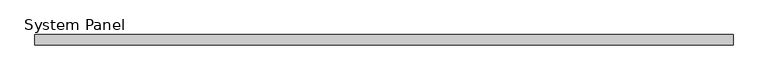
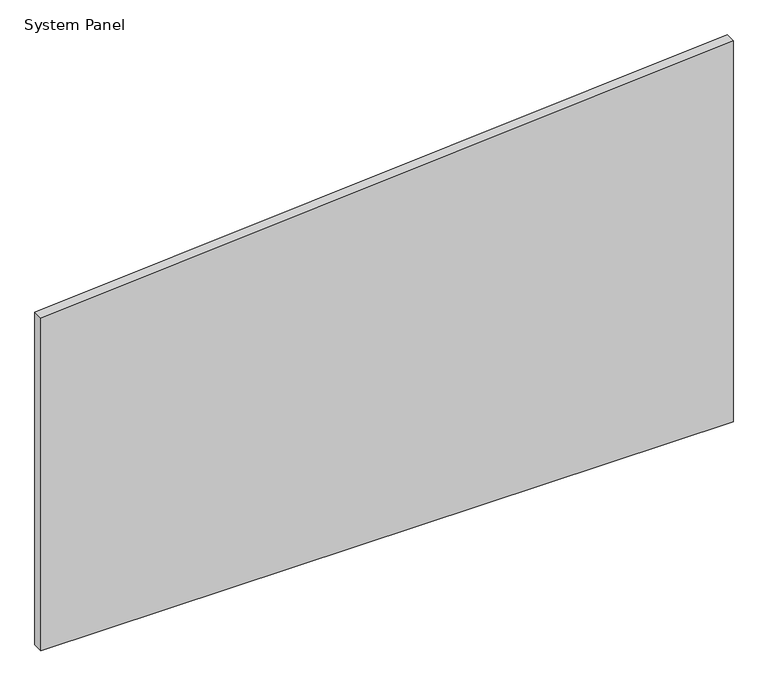
"""IFC4 building model written with IfcOpenShell, lengths in millimetres: plate geometry, System Panel."""

from ifc_helpers import new_model, si_unit, frame, origin, place, context, project, spatial, polyline, outline, extrude, source, transform, mapped, element, save


def system_panel_90f2b566(model_context):
    return source(origin(), model_context, "Body", "SweptSolid", [
        extrude(outline(polyline([(0.0, -662.8682631), (0.0, 662.8682631), (771.1535203, 662.8682631), (673.5729046, -662.8682631), (0.0, -662.8682631)])), frame((0.0, -10.0, 0.0), z_axis=(0.0, 1.0, 0.0), x_axis=(0.0, 0.0, 1.0)), (0.0, 0.0, 1.0), 20.0),
    ])


if __name__ == "__main__":
    model = new_model("IFC4")
    model_context = context("Model", 3, world=origin())
    ifc_project = project(units=[si_unit("LENGTHUNIT", "METRE", prefix="MILLI")], contexts=[model_context])
    site = spatial("IfcSite", under=ifc_project)
    building = spatial("IfcBuilding", under=site)
    placement = place(None, origin())
    system_panel_shape = system_panel_90f2b566(model_context)
    element("IfcPlate", 1, ObjectType="System Panel", at=placement, inside=building, context=model_context, shape_type="MappedRepresentation", body=[
        mapped(system_panel_shape, transform((0.0, 0.0, 0.0), x_axis=(1.0, 0.0, 0.0), y_axis=(0.0, 1.0, 0.0), z_axis=(0.0, 0.0, 1.0))),
    ])
    save(model, "model.ifc")
